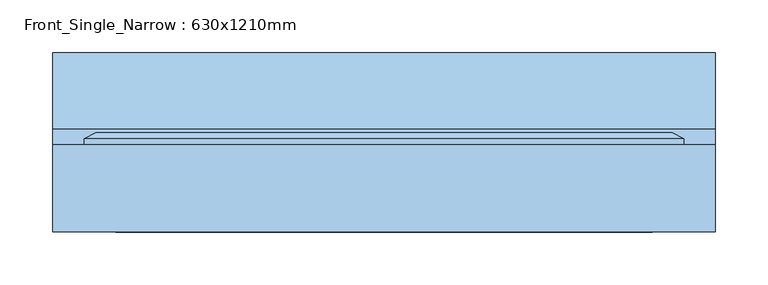
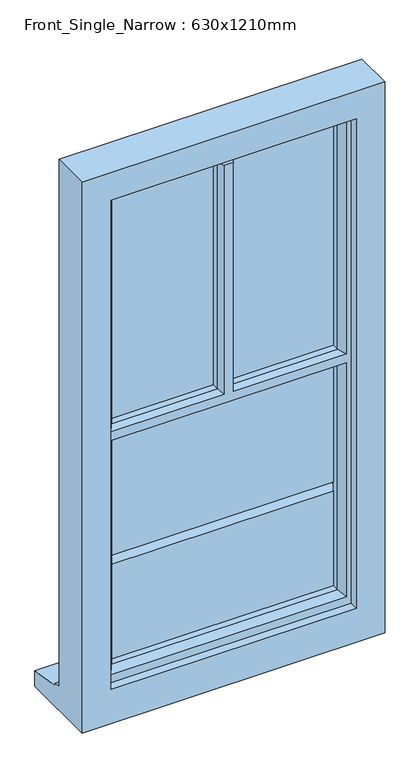
"""IFC4 building model written with IfcOpenShell, lengths in millimetres: window geometry, Front_Single_Narrow : 630x1210mm."""

from ifc_helpers import new_model, si_unit, frame, origin, place, context, project, spatial, polyline, outline, extrude, faceted_brep, source, transform, mapped, element, save


def front_single_narrow_630x1210mm_832275ac(model_context):
    return source(origin(), model_context, "Body", "SolidModel", [
        faceted_brep([(315.0, -24.5434322, 2110.0), (-315.0, -24.5434322, 2110.0), (-315.0, -24.5434322, 900.0), (315.0, -24.5434322, 900.0), (-255.0, -24.5434322, 2050.0), (255.0, -24.5434322, 2050.0), (255.0, -24.5434322, 975.0), (-255.0, -24.5434322, 975.0), (-315.0, 58.4565678, 2110.0), (-315.0, 58.4565678, 951.0), (-315.0, 73.4565678, 949.68767), (-315.0, 73.4565678, 944.7449676), (-315.0, 145.9565678, 933.8088847), (-315.0, 145.9565678, 900.0), (315.0, 58.4565678, 2110.0), (315.0, 58.4565678, 951.0), (-285.0, 58.4565678, 2080.0), (-285.0, 58.4565678, 953.0), (285.0, 58.4565678, 953.0), (285.0, 58.4565678, 2080.0), (-255.0, -6.5434322, 2050.0), (-255.0, -6.5434322, 975.0), (255.0, -6.5434322, 2050.0), (315.0, 145.9565678, 900.0), (315.0, 145.9565678, 933.8088847), (315.0, 73.4565678, 944.7449676), (315.0, 73.4565678, 949.68767), (255.0, -6.5434322, 975.0), (-285.0, 64.2300705, 2080.0), (-285.0, 64.2300705, 953.0), (-235.0, 7.9494677, 2030.0), (-245.1480377, -6.5434322, 2040.1480377), (-245.1480377, -6.5434322, 1526.3519623), (-235.0, 7.9494677, 1531.5), (-245.1480377, -6.5434322, 992.8519623), (-235.0, 7.9494677, 1003.0), (-235.0, 7.9494677, 1501.5), (-245.1480377, -6.5434322, 1506.6480377), (-235.0, 22.4565678, 2030.0), (-235.0, 22.4565678, 1531.5), (-235.0, 22.4565678, 1003.0), (-235.0, 22.4565678, 1501.5), (-245.0, 46.4565678, 2040.0), (-245.0, 22.4565678, 2040.0), (-245.0, 22.4565678, 1524.5), (-245.0, 46.4565678, 1524.5), (-245.0, 22.4565678, 993.0), (-245.0, 46.4565678, 993.0), (-245.0, 46.4565678, 1508.5), (-245.0, 22.4565678, 1508.5), (-235.0, 64.2300705, 2030.0), (-235.0, 46.4565678, 2030.0), (-235.0, 46.4565678, 1531.5), (-235.0, 58.554277, 1531.5), (-235.0, 64.2300705, 1521.5), (-235.0, 46.4565678, 1003.0), (-235.0, 64.2300705, 1003.0), (-235.0, 64.2300705, 1511.5), (-235.0, 58.554277, 1501.5), (-235.0, 46.4565678, 1501.5), (-252.4457548, 70.0035732, 2047.4457548), (-252.4457548, 70.0035732, 985.5542452), (-274.2153903, 70.0035732, 2069.2153903), (-274.2153903, 70.0035732, 963.7846097), (285.0, 64.2300705, 953.0), (245.1480377, -6.5434322, 992.8519623), (235.0, 7.9494677, 1003.0), (235.0, 22.4565678, 1003.0), (245.0, 22.4565678, 993.0), (245.0, 46.4565678, 993.0), (235.0, 46.4565678, 1003.0), (235.0, 64.2300705, 1003.0), (252.4457548, 70.0035732, 985.5542452), (274.2153903, 70.0035732, 963.7846097), (285.0, 64.2300705, 2080.0), (245.1480377, -6.5434322, 1506.6480377), (235.0, 7.9494677, 1501.5), (245.1480377, -6.5434322, 2040.1480377), (235.0, 7.9494677, 2030.0), (235.0, 7.9494677, 1531.5), (245.1480377, -6.5434322, 1526.3519623), (235.0, 22.4565678, 1501.5), (235.0, 22.4565678, 2030.0), (235.0, 22.4565678, 1531.5), (245.0, 22.4565678, 1508.5), (245.0, 46.4565678, 1508.5), (245.0, 22.4565678, 2040.0), (245.0, 46.4565678, 2040.0), (245.0, 46.4565678, 1524.5), (245.0, 22.4565678, 1524.5), (235.0, 46.4565678, 1501.5), (235.0, 58.554277, 1501.5), (235.0, 64.2300705, 1511.5), (235.0, 46.4565678, 2030.0), (235.0, 64.2300705, 2030.0), (235.0, 64.2300705, 1521.5), (235.0, 58.554277, 1531.5), (235.0, 46.4565678, 1531.5), (252.4457548, 70.0035732, 2047.4457548), (274.2153903, 70.0035732, 2069.2153903), (9.8519623, -6.5434322, 1526.3519623), (9.8519623, -6.5434322, 2030.0), (-9.8519623, -6.5434322, 2030.0), (-9.8519623, -6.5434322, 1526.3519623), (-15.0, 7.9494677, 2030.0), (15.0, 7.9494677, 2030.0), (-15.0, 22.4565678, 2030.0), (15.0, 22.4565678, 2030.0), (8.0, 22.4565678, 1524.5), (8.0, 22.4565678, 2030.0), (-8.0, 22.4565678, 2030.0), (-8.0, 22.4565678, 1524.5), (15.0, 22.4565678, 1531.5), (-15.0, 22.4565678, 1531.5), (-8.0, 46.4565678, 1524.5), (-8.0, 46.4565678, 2030.0), (8.0, 46.4565678, 2030.0), (8.0, 46.4565678, 1524.5), (-15.0, 46.4565678, 2030.0), (-15.0, 46.4565678, 1531.5), (15.0, 46.4565678, 1531.5), (15.0, 46.4565678, 2030.0), (-5.0, 64.2300705, 2030.0), (-15.0, 58.554277, 2030.0), (15.0, 58.554277, 2030.0), (5.0, 64.2300705, 2030.0), (-15.0, 58.554277, 1531.5), (-5.0, 64.2300705, 1521.5), (5.0, 64.2300705, 1521.5), (15.0, 58.554277, 1531.5), (-15.0, 7.9494677, 1531.5), (15.0, 7.9494677, 1531.5)], [[[0, 1, 2, 3], [4, 5, 6, 7]], [[1, 8, 9, 10, 11, 12, 13, 2]], [[8, 14, 15, 9], [16, 17, 18, 19]], [[20, 4, 7, 21]], [[1, 0, 14, 8]], [[5, 4, 20, 22]], [[14, 0, 3, 23, 24, 25, 26, 15]], [[5, 22, 27, 6]], [[23, 3, 2, 13]], [[24, 23, 13, 12]], [[25, 24, 12, 11]], [[26, 25, 11, 10]], [[15, 26, 10, 9]], [[7, 6, 27, 21]], [[16, 28, 29, 17]], [[30, 31, 32, 33]], [[34, 35, 36, 37]], [[38, 30, 33, 39]], [[35, 40, 41, 36]], [[42, 43, 44, 45]], [[46, 47, 48, 49]], [[50, 51, 52, 53, 54]], [[55, 56, 57, 58, 59]], [[60, 50, 54, 57, 56, 61]], [[29, 28, 62, 63]], [[17, 29, 64, 18]], [[35, 34, 65, 66]], [[40, 35, 66, 67]], [[47, 46, 68, 69]], [[56, 55, 70, 71]], [[61, 56, 71, 72]], [[29, 63, 73, 64]], [[18, 64, 74, 19]], [[66, 65, 75, 76]], [[77, 78, 79, 80]], [[67, 66, 76, 81]], [[78, 82, 83, 79]], [[69, 68, 84, 85]], [[86, 87, 88, 89]], [[71, 70, 90, 91, 92]], [[93, 94, 95, 96, 97]], [[72, 71, 92, 95, 94, 98]], [[64, 73, 99, 74]], [[28, 16, 19, 74]], [[20, 21, 27, 22], [65, 34, 37, 75], [31, 77, 80, 100, 101, 102, 103, 32]], [[31, 30, 104, 105, 78, 77]], [[30, 38, 106, 104]], [[82, 78, 105, 107]], [[68, 46, 49, 84], [40, 67, 81, 41]], [[43, 86, 89, 108, 109, 110, 111, 44], [82, 107, 112, 83], [39, 113, 106, 38]], [[43, 42, 87, 86]], [[47, 69, 85, 48], [70, 55, 59, 90]], [[87, 42, 45, 114, 115, 116, 117, 88], [51, 118, 119, 52], [97, 120, 121, 93]], [[51, 50, 122, 123, 118]], [[94, 93, 121, 124, 125]], [[50, 60, 98, 94, 125, 122]], [[63, 62, 99, 73], [60, 61, 72, 98]], [[62, 28, 74, 99]], [[54, 53, 126, 127]], [[96, 95, 128, 129]], [[53, 52, 119, 126]], [[97, 96, 129, 120]], [[108, 89, 88, 117]], [[114, 45, 44, 111]], [[39, 33, 130, 113]], [[79, 83, 112, 131]], [[33, 32, 103, 130]], [[80, 79, 131, 100]], [[75, 37, 36, 76]], [[76, 36, 41, 81]], [[49, 48, 85, 84]], [[90, 59, 58, 91]], [[57, 92, 91, 58]], [[92, 57, 54, 127, 122, 125, 128, 95]], [[115, 110, 109, 116]], [[104, 102, 101, 105]], [[128, 125, 124, 129]], [[121, 120, 129, 124]], [[117, 116, 109, 108]], [[112, 107, 105, 131]], [[105, 101, 100, 131]], [[102, 104, 130, 103]], [[106, 113, 130, 104]], [[111, 110, 115, 114]], [[119, 118, 123, 126]], [[122, 127, 126, 123]]]),
        extrude(outline(polyline([(245.1480377, 22.4565678), (-245.0, 22.4565678), (-245.0, 46.4565678), (245.1480377, 46.4565678), (245.1480377, 22.4565678)])), frame((0.0, 0.0, 993.0), z_axis=(0.0, 0.0, 1.0), x_axis=(1.0, 0.0, 0.0)), (0.0, 0.0, 1.0), 218.6480377),
        extrude(outline(polyline([(245.1480377, 22.4565678), (-245.0, 22.4565678), (-245.0, 46.4565678), (245.1480377, 46.4565678), (245.1480377, 22.4565678)])), frame((0.0, 0.0, 1231.3519623), z_axis=(0.0, 0.0, 1.0), x_axis=(1.0, 0.0, 0.0)), (0.0, 0.0, 1.0), 808.6480377),
    ])


if __name__ == "__main__":
    model = new_model("IFC4")
    model_context = context("Model", 3, world=origin())
    ifc_project = project(units=[si_unit("LENGTHUNIT", "METRE", prefix="MILLI")], contexts=[model_context])
    site = spatial("IfcSite", under=ifc_project)
    building = spatial("IfcBuilding", under=site)
    placement = place(None, origin())
    front_single_narrow_630x1210mm_shape = front_single_narrow_630x1210mm_832275ac(model_context)
    element("IfcWindow", 1, ObjectType="Front_Single_Narrow : 630x1210mm", at=placement, inside=building, context=model_context, shape_type="MappedRepresentation", body=[
        mapped(front_single_narrow_630x1210mm_shape, transform((0.0, 0.0, 0.0), x_axis=(1.0, 0.0, 0.0), y_axis=(0.0, 1.0, 0.0), z_axis=(0.0, 0.0, 1.0))),
    ])
    save(model, "model.ifc")
